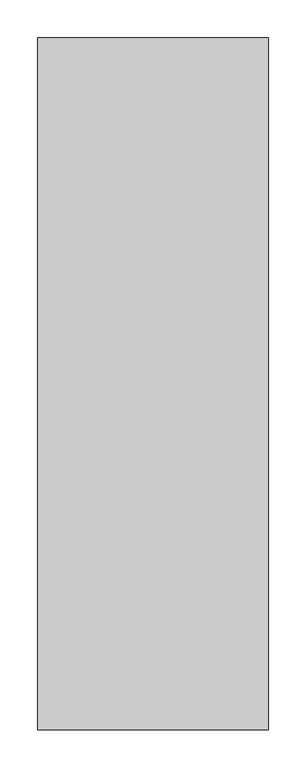
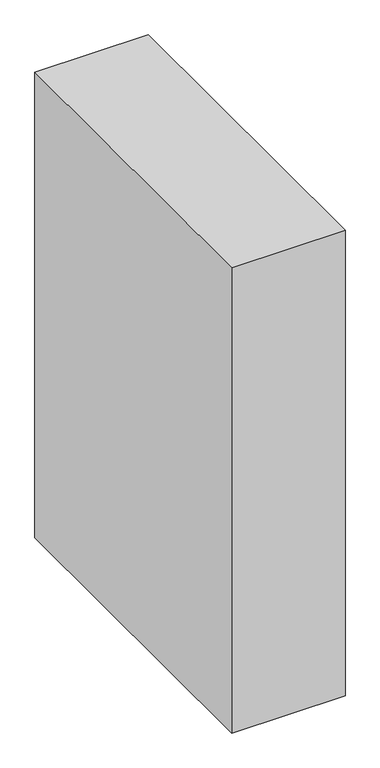
"""IFC4 building model written with IfcOpenShell, lengths in millimetres: proxy geometry."""

from ifc_helpers import new_model, si_unit, frame, origin, place, context, project, spatial, polyline, outline, extrude, source, transform, mapped, element, save


def generic_models_4bf7b146(model_context):
    return source(origin(), model_context, "Body", "SweptSolid", [
        extrude(outline(polyline([(37910.0710168, -23977.1529893), (37910.0710168, -24891.5529893), (37605.2710168, -24891.5529893), (37605.2710168, -23977.1529893), (37910.0710168, -23977.1529893)])), frame((0.0, 0.0, 4318.0), z_axis=(0.0, 0.0, 1.0), x_axis=(1.0, 0.0, 0.0)), (0.0, 0.0, 1.0), 1320.8),
    ])


if __name__ == "__main__":
    model = new_model("IFC4")
    model_context = context("Model", 3, world=origin())
    ifc_project = project(units=[si_unit("LENGTHUNIT", "METRE", prefix="MILLI")], contexts=[model_context])
    site = spatial("IfcSite", under=ifc_project)
    building = spatial("IfcBuilding", under=site)
    placement = place(None, origin())
    generic_models_shape = generic_models_4bf7b146(model_context)
    element("IfcBuildingElementProxy", 1, Name="Generic Models", at=placement, inside=building, context=model_context, shape_type="MappedRepresentation", body=[
        mapped(generic_models_shape, transform((0.0, 0.0, 0.0), x_axis=(1.0, 0.0, 0.0), y_axis=(0.0, 1.0, 0.0), z_axis=(0.0, 0.0, 1.0))),
    ])
    save(model, "model.ifc")
